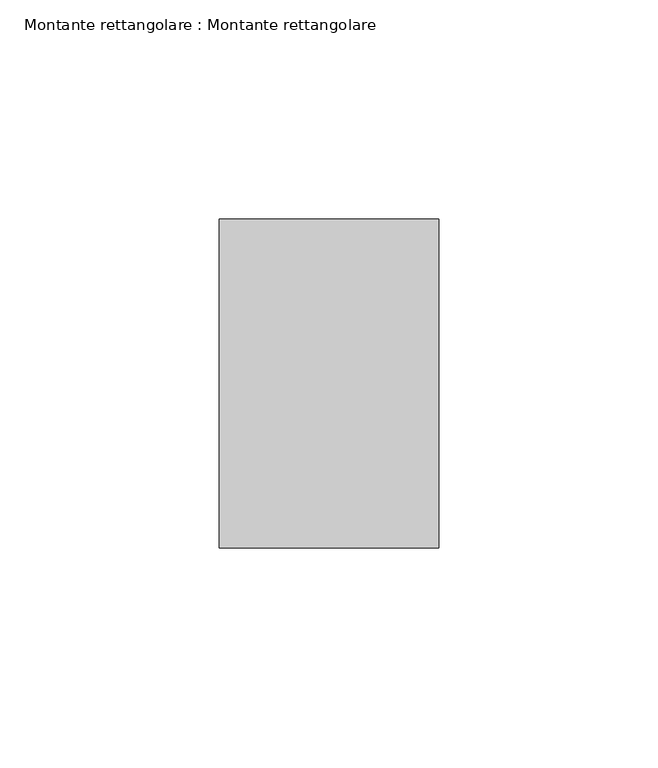
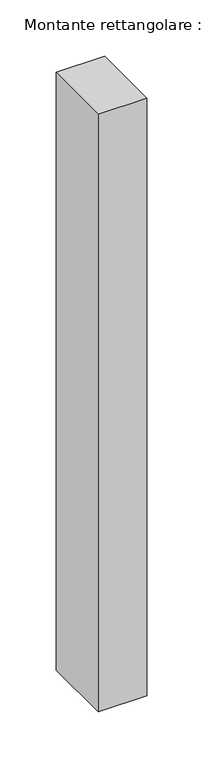
"""IFC4 building model written with IfcOpenShell, lengths in millimetres: member geometry, Montante rettangolare : Montante rettangolare."""

from ifc_helpers import new_model, si_unit, frame, origin, place, context, project, spatial, polyline, outline, extrude, source, transform, mapped, element, save


def montante_rettangolare_montante_rettangolare_5d136b59(model_context):
    return source(origin(), model_context, "Body", "SweptSolid", [
        extrude(outline(polyline([(-37.5, -0.148679), (37.5, 0.148287), (37.5, -651.3738132), (-37.5, -651.3738132), (-37.5, -0.148679)])), frame((-50.0, 0.0, 0.0), z_axis=(1.0, 0.0, 0.0), x_axis=(0.0, 1.0, 0.0)), (0.0, 0.0, 1.0), 50.0),
    ])


if __name__ == "__main__":
    model = new_model("IFC4")
    model_context = context("Model", 3, world=origin())
    ifc_project = project(units=[si_unit("LENGTHUNIT", "METRE", prefix="MILLI")], contexts=[model_context])
    site = spatial("IfcSite", under=ifc_project)
    building = spatial("IfcBuilding", under=site)
    placement = place(None, origin())
    montante_rettangolare_montante_rettangolare_shape = montante_rettangolare_montante_rettangolare_5d136b59(model_context)
    element("IfcMember", 1, ObjectType="Montante rettangolare : Montante rettangolare", at=placement, inside=building, context=model_context, shape_type="MappedRepresentation", body=[
        mapped(montante_rettangolare_montante_rettangolare_shape, transform((0.0, 0.0, 0.0), x_axis=(1.0, 0.0, 0.0), y_axis=(0.0, 1.0, 0.0), z_axis=(0.0, 0.0, 1.0))),
    ])
    save(model, "model.ifc")
